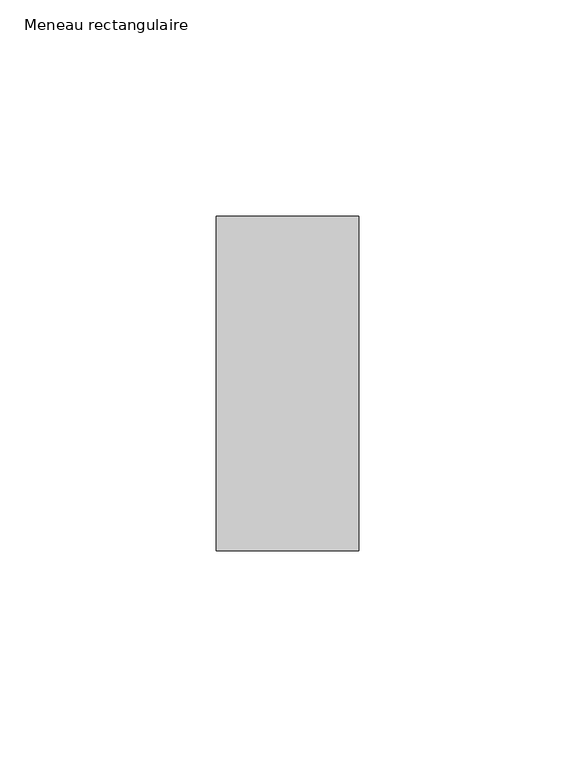
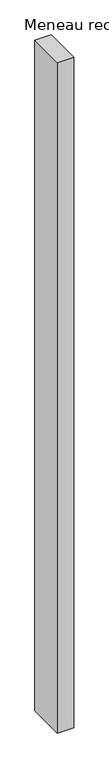
"""IFC4 building model written with IfcOpenShell, lengths in millimetres: member geometry, Meneau rectangulaire."""

import ifcopenshell
import ifcopenshell.guid

model = None  # the IFC model being written
_history = None  # IfcOwnerHistory: only IFC2X3 demands one
_inside = {}  # id of a spatial element -> (the spatial element, [elements in it])
_under = {}  # id of a project, library or spatial element -> (it, [spatial elements below it])
_declared = {}  # id of a project -> (the project, [libraries it declares])
_typed = {}  # id of a type object -> (the type object, [elements of that type])
_made_of = {}  # id of a material, layer set ... -> (it, [elements and type objects made of it])


def new_model(schema):
    """Start an empty IFC model of exactly this schema.

    Asked for "IFC4X3", IfcOpenShell would pick the latest addendum, in which some entities
    have other attributes; the version numbers below select the first issue.
    IFC2X3 requires an IfcOwnerHistory on every rooted entity: one is made here for all.
    """
    global model, _history
    if schema == "IFC4X3":
        model = ifcopenshell.file(schema_version=(4, 3, 0, 0))
    else:
        model = ifcopenshell.file(schema=schema)
    _inside.clear()
    _under.clear()
    _declared.clear()
    _typed.clear()
    _made_of.clear()
    _history = None
    if model.schema == "IFC2X3":
        org = make("IfcOrganization", Name="unknown")
        user = make(
            "IfcPersonAndOrganization",
            ThePerson=make("IfcPerson", FamilyName="unknown"),
            TheOrganization=org,
        )
        app = make(
            "IfcApplication",
            ApplicationDeveloper=org,
            Version="unknown",
            ApplicationFullName="unknown",
            ApplicationIdentifier="unknown",
        )
        _history = make(
            "IfcOwnerHistory",
            OwningUser=user,
            OwningApplication=app,
            ChangeAction="ADDED",
            CreationDate=0,
        )
    return model


def make(cls, **values):
    """One entity of the class cls with the attributes given. An attribute that is None is left unset."""
    return model.create_entity(
        cls, **{name: value for name, value in values.items() if value is not None}
    )


def rooted(cls, **values):
    """An entity with a GlobalId (a new one), such as an element, a storey or a relation."""
    return make(cls, GlobalId=ifcopenshell.guid.new(), OwnerHistory=_history, **values)


def si_unit(unit_type, name, prefix=None):
    """IfcSIUnit, for example si_unit("LENGTHUNIT", "METRE", prefix="MILLI")."""
    return make("IfcSIUnit", UnitType=unit_type, Prefix=prefix, Name=name)


def assignment(units):
    """IfcUnitAssignment: the units of a project."""
    return None if units is None else make("IfcUnitAssignment", Units=units)


def point(xyz):
    """IfcCartesianPoint."""
    return None if xyz is None else make("IfcCartesianPoint", Coordinates=xyz)


def direction(xyz):
    """IfcDirection."""
    return None if xyz is None else make("IfcDirection", DirectionRatios=xyz)


def frame(location, z_axis=None, x_axis=None):
    """IfcAxis2Placement3D, a coordinate frame: its origin and axes. An axis left out is left unset."""
    return make(
        "IfcAxis2Placement3D",
        Location=point(location),
        Axis=direction(z_axis),
        RefDirection=direction(x_axis),
    )


def origin():
    """The frame at (0, 0, 0) with its axes left unset."""
    return frame((0.0, 0.0, 0.0))


def place(relative_to, where):
    """IfcLocalPlacement: puts the frame where relative to a parent placement (None: the world)."""
    return make(
        "IfcLocalPlacement", PlacementRelTo=relative_to, RelativePlacement=where
    )


def context(
    kind, dimensions, precision=None, world=None, true_north=None, identifier=None
):
    """IfcGeometricRepresentationContext, for example the 3D "Model" context."""
    return make(
        "IfcGeometricRepresentationContext",
        ContextIdentifier=identifier,
        ContextType=kind,
        CoordinateSpaceDimension=dimensions,
        Precision=precision,
        WorldCoordinateSystem=world,
        TrueNorth=true_north,
    )


def project(units=None, contexts=None):
    """IfcProject with its units and contexts."""
    return rooted(
        "IfcProject",
        Name="project",
        RepresentationContexts=contexts,
        UnitsInContext=assignment(units),
    )


def spatial(cls, under=None, at=None, **own):
    """A site, building, storey or space (cls), placed at a placement, below another one or the project."""
    s = rooted(cls, ObjectPlacement=at, **own)
    if under is not None:
        _under.setdefault(under.id(), (under, []))[1].append(s)
    return s


def polyline(points):
    """IfcPolyline through the points."""
    return make("IfcPolyline", Points=[point(p) for p in points])


def outline(outer, holes=None, kind="AREA"):
    """IfcArbitraryClosedProfileDef: a profile drawn as a closed curve; with holes, ...WithVoids."""
    if holes is None:
        return make("IfcArbitraryClosedProfileDef", ProfileType=kind, OuterCurve=outer)
    return make(
        "IfcArbitraryProfileDefWithVoids",
        ProfileType=kind,
        OuterCurve=outer,
        InnerCurves=holes,
    )


def extrude(swept, where, along, depth):
    """IfcExtrudedAreaSolid: the profile swept, set in the frame where, extruded along a direction by depth."""
    return make(
        "IfcExtrudedAreaSolid",
        SweptArea=swept,
        Position=where,
        ExtrudedDirection=direction(along),
        Depth=depth,
    )


def shape(context_of_items, identifier, shape_type, items):
    """IfcShapeRepresentation: the items that make up one representation, for example the "Body"."""
    return make(
        "IfcShapeRepresentation",
        ContextOfItems=context_of_items,
        RepresentationIdentifier=identifier,
        RepresentationType=shape_type,
        Items=items,
    )


def source(mapping_origin, context_of_items, identifier, shape_type, items):
    """IfcRepresentationMap: a shape defined once, which mapped items show again and again."""
    return make(
        "IfcRepresentationMap",
        MappingOrigin=mapping_origin,
        MappedRepresentation=shape(context_of_items, identifier, shape_type, items),
    )


def transform(
    local_origin,
    x_axis=None,
    y_axis=None,
    z_axis=None,
    scale=None,
    scale2=None,
    scale3=None,
    uniform=True,
):
    """IfcCartesianTransformationOperator3D, or its non-uniform kind. x_axis, y_axis, z_axis: its Axis1, 2, 3."""
    if uniform:
        return make(
            "IfcCartesianTransformationOperator3D",
            Axis1=direction(x_axis),
            Axis2=direction(y_axis),
            LocalOrigin=point(local_origin),
            Scale=scale,
            Axis3=direction(z_axis),
        )
    return make(
        "IfcCartesianTransformationOperator3DnonUniform",
        Axis1=direction(x_axis),
        Axis2=direction(y_axis),
        LocalOrigin=point(local_origin),
        Scale=scale,
        Axis3=direction(z_axis),
        Scale2=scale2,
        Scale3=scale3,
    )


def mapped(mapping_source, mapping_target):
    """IfcMappedItem: shows the shape of a source again, moved by a transform."""
    return make(
        "IfcMappedItem", MappingSource=mapping_source, MappingTarget=mapping_target
    )


def made_of(thing, what):
    """Note that an element or type object is made of a material, layer set ...; save() writes the relation."""
    if what is not None:
        _made_of.setdefault(what.id(), (what, []))[1].append(thing)
    return thing


def element(
    cls,
    number,
    at=None,
    inside=None,
    cuts=None,
    type_object=None,
    material=None,
    context=None,
    identifier="Body",
    shape_type=None,
    held_by="IfcProductDefinitionShape",
    body=None,
    shapes=None,
    **own,
):
    """One element of the class cls, such as IfcWall. Its Tag is "e" and its number.

    at: its placement. inside: the storey or other place that contains it. cuts: it is an
    opening in that element (IfcRelVoidsElement). A single representation is given by context,
    identifier, shape_type and body (its items); several are given by shapes. held_by: the class
    of the entity that holds the representations. save() writes the other relations.
    """
    e = rooted(cls, Tag="e%d" % number, ObjectPlacement=at, **own)
    if body is not None:
        shapes = [shape(context, identifier, shape_type, body)]
    if shapes is not None:
        e.Representation = make(held_by, Representations=shapes)
    if inside is not None:
        _inside.setdefault(inside.id(), (inside, []))[1].append(e)
    if cuts is not None:
        rooted(
            "IfcRelVoidsElement", RelatingBuildingElement=cuts, RelatedOpeningElement=e
        )
    if type_object is not None:
        _typed.setdefault(type_object.id(), (type_object, []))[1].append(e)
    return made_of(e, material)


def aggregate(whole, parts):
    """IfcRelAggregates: a whole, such as a stair, and the parts it consists of."""
    return rooted("IfcRelAggregates", RelatingObject=whole, RelatedObjects=parts)


def save(model, path):
    """Write the relations noted so far, then the file.

    IfcRelAggregates (storeys below a building ...), IfcRelContainedInSpatialStructure (elements
    in a storey), IfcRelDefinesByType, IfcRelAssociatesMaterial and IfcRelDeclares: one each for
    every whole, place, type object, material and project.
    """
    for whole, parts in _under.values():
        aggregate(whole, parts)
    for where, things in _inside.values():
        rooted(
            "IfcRelContainedInSpatialStructure",
            RelatedElements=things,
            RelatingStructure=where,
        )
    for kind, things in _typed.values():
        rooted("IfcRelDefinesByType", RelatedObjects=things, RelatingType=kind)
    for what, things in _made_of.values():
        rooted("IfcRelAssociatesMaterial", RelatedObjects=things, RelatingMaterial=what)
    for by, libraries in _declared.values():
        rooted("IfcRelDeclares", RelatingContext=by, RelatedDefinitions=libraries)
    model.write(path)


def meneau_rectangulaire_a3268d55(model_context):
    return source(origin(), model_context, "Body", "SweptSolid", [
        extrude(outline(polyline([(0.0, 38.75), (0.0, -38.75), (-33.0, -38.75), (-33.0, 38.75), (0.0, 38.75)])), frame((0.0, 0.0, -1413.256074), z_axis=(0.0, 0.0, 1.0), x_axis=(1.0, 0.0, 0.0)), (0.0, 0.0, 1.0), 1413.256074),
    ])


if __name__ == "__main__":
    model = new_model("IFC4")
    model_context = context("Model", 3, world=origin())
    ifc_project = project(units=[si_unit("LENGTHUNIT", "METRE", prefix="MILLI")], contexts=[model_context])
    site = spatial("IfcSite", under=ifc_project)
    building = spatial("IfcBuilding", under=site)
    placement = place(None, origin())
    meneau_rectangulaire_shape = meneau_rectangulaire_a3268d55(model_context)
    element("IfcMember", 1, ObjectType="Meneau rectangulaire", at=placement, inside=building, context=model_context, shape_type="MappedRepresentation", body=[
        mapped(meneau_rectangulaire_shape, transform((0.0, 0.0, 0.0), x_axis=(1.0, 0.0, 0.0), y_axis=(0.0, 1.0, 0.0), z_axis=(0.0, 0.0, 1.0))),
    ])
    save(model, "model.ifc")
